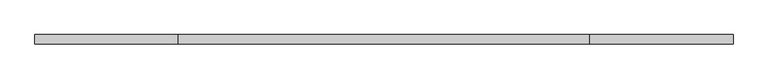
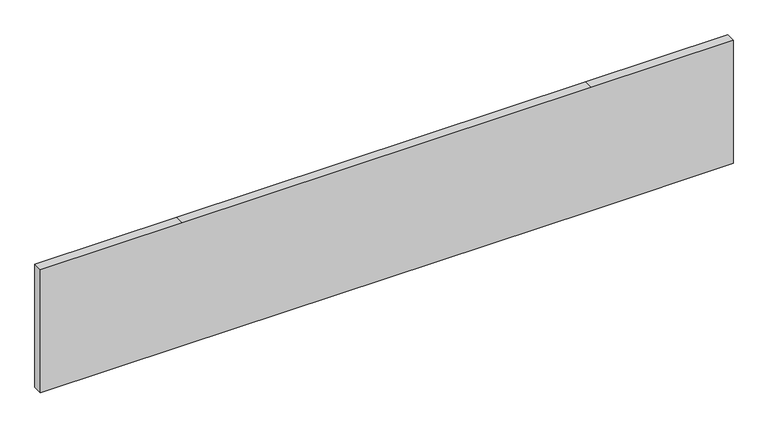
"""IFC4 building model written with IfcOpenShell, lengths in millimetres: plate geometry."""

import ifcopenshell
import ifcopenshell.guid

model = None  # the IFC model being written
_history = None  # IfcOwnerHistory: only IFC2X3 demands one
_inside = {}  # id of a spatial element -> (the spatial element, [elements in it])
_under = {}  # id of a project, library or spatial element -> (it, [spatial elements below it])
_declared = {}  # id of a project -> (the project, [libraries it declares])
_typed = {}  # id of a type object -> (the type object, [elements of that type])
_made_of = {}  # id of a material, layer set ... -> (it, [elements and type objects made of it])


def new_model(schema):
    """Start an empty IFC model of exactly this schema.

    Asked for "IFC4X3", IfcOpenShell would pick the latest addendum, in which some entities
    have other attributes; the version numbers below select the first issue.
    IFC2X3 requires an IfcOwnerHistory on every rooted entity: one is made here for all.
    """
    global model, _history
    if schema == "IFC4X3":
        model = ifcopenshell.file(schema_version=(4, 3, 0, 0))
    else:
        model = ifcopenshell.file(schema=schema)
    _inside.clear()
    _under.clear()
    _declared.clear()
    _typed.clear()
    _made_of.clear()
    _history = None
    if model.schema == "IFC2X3":
        org = make("IfcOrganization", Name="unknown")
        user = make(
            "IfcPersonAndOrganization",
            ThePerson=make("IfcPerson", FamilyName="unknown"),
            TheOrganization=org,
        )
        app = make(
            "IfcApplication",
            ApplicationDeveloper=org,
            Version="unknown",
            ApplicationFullName="unknown",
            ApplicationIdentifier="unknown",
        )
        _history = make(
            "IfcOwnerHistory",
            OwningUser=user,
            OwningApplication=app,
            ChangeAction="ADDED",
            CreationDate=0,
        )
    return model


def make(cls, **values):
    """One entity of the class cls with the attributes given. An attribute that is None is left unset."""
    return model.create_entity(
        cls, **{name: value for name, value in values.items() if value is not None}
    )


def rooted(cls, **values):
    """An entity with a GlobalId (a new one), such as an element, a storey or a relation."""
    return make(cls, GlobalId=ifcopenshell.guid.new(), OwnerHistory=_history, **values)


def si_unit(unit_type, name, prefix=None):
    """IfcSIUnit, for example si_unit("LENGTHUNIT", "METRE", prefix="MILLI")."""
    return make("IfcSIUnit", UnitType=unit_type, Prefix=prefix, Name=name)


def assignment(units):
    """IfcUnitAssignment: the units of a project."""
    return None if units is None else make("IfcUnitAssignment", Units=units)


def point(xyz):
    """IfcCartesianPoint."""
    return None if xyz is None else make("IfcCartesianPoint", Coordinates=xyz)


def direction(xyz):
    """IfcDirection."""
    return None if xyz is None else make("IfcDirection", DirectionRatios=xyz)


def frame(location, z_axis=None, x_axis=None):
    """IfcAxis2Placement3D, a coordinate frame: its origin and axes. An axis left out is left unset."""
    return make(
        "IfcAxis2Placement3D",
        Location=point(location),
        Axis=direction(z_axis),
        RefDirection=direction(x_axis),
    )


def origin():
    """The frame at (0, 0, 0) with its axes left unset."""
    return frame((0.0, 0.0, 0.0))


def place(relative_to, where):
    """IfcLocalPlacement: puts the frame where relative to a parent placement (None: the world)."""
    return make(
        "IfcLocalPlacement", PlacementRelTo=relative_to, RelativePlacement=where
    )


def context(
    kind, dimensions, precision=None, world=None, true_north=None, identifier=None
):
    """IfcGeometricRepresentationContext, for example the 3D "Model" context."""
    return make(
        "IfcGeometricRepresentationContext",
        ContextIdentifier=identifier,
        ContextType=kind,
        CoordinateSpaceDimension=dimensions,
        Precision=precision,
        WorldCoordinateSystem=world,
        TrueNorth=true_north,
    )


def project(units=None, contexts=None):
    """IfcProject with its units and contexts."""
    return rooted(
        "IfcProject",
        Name="project",
        RepresentationContexts=contexts,
        UnitsInContext=assignment(units),
    )


def spatial(cls, under=None, at=None, **own):
    """A site, building, storey or space (cls), placed at a placement, below another one or the project."""
    s = rooted(cls, ObjectPlacement=at, **own)
    if under is not None:
        _under.setdefault(under.id(), (under, []))[1].append(s)
    return s


def polyline(points):
    """IfcPolyline through the points."""
    return make("IfcPolyline", Points=[point(p) for p in points])


def outline(outer, holes=None, kind="AREA"):
    """IfcArbitraryClosedProfileDef: a profile drawn as a closed curve; with holes, ...WithVoids."""
    if holes is None:
        return make("IfcArbitraryClosedProfileDef", ProfileType=kind, OuterCurve=outer)
    return make(
        "IfcArbitraryProfileDefWithVoids",
        ProfileType=kind,
        OuterCurve=outer,
        InnerCurves=holes,
    )


def extrude(swept, where, along, depth):
    """IfcExtrudedAreaSolid: the profile swept, set in the frame where, extruded along a direction by depth."""
    return make(
        "IfcExtrudedAreaSolid",
        SweptArea=swept,
        Position=where,
        ExtrudedDirection=direction(along),
        Depth=depth,
    )


def shape(context_of_items, identifier, shape_type, items):
    """IfcShapeRepresentation: the items that make up one representation, for example the "Body"."""
    return make(
        "IfcShapeRepresentation",
        ContextOfItems=context_of_items,
        RepresentationIdentifier=identifier,
        RepresentationType=shape_type,
        Items=items,
    )


def source(mapping_origin, context_of_items, identifier, shape_type, items):
    """IfcRepresentationMap: a shape defined once, which mapped items show again and again."""
    return make(
        "IfcRepresentationMap",
        MappingOrigin=mapping_origin,
        MappedRepresentation=shape(context_of_items, identifier, shape_type, items),
    )


def transform(
    local_origin,
    x_axis=None,
    y_axis=None,
    z_axis=None,
    scale=None,
    scale2=None,
    scale3=None,
    uniform=True,
):
    """IfcCartesianTransformationOperator3D, or its non-uniform kind. x_axis, y_axis, z_axis: its Axis1, 2, 3."""
    if uniform:
        return make(
            "IfcCartesianTransformationOperator3D",
            Axis1=direction(x_axis),
            Axis2=direction(y_axis),
            LocalOrigin=point(local_origin),
            Scale=scale,
            Axis3=direction(z_axis),
        )
    return make(
        "IfcCartesianTransformationOperator3DnonUniform",
        Axis1=direction(x_axis),
        Axis2=direction(y_axis),
        LocalOrigin=point(local_origin),
        Scale=scale,
        Axis3=direction(z_axis),
        Scale2=scale2,
        Scale3=scale3,
    )


def mapped(mapping_source, mapping_target):
    """IfcMappedItem: shows the shape of a source again, moved by a transform."""
    return make(
        "IfcMappedItem", MappingSource=mapping_source, MappingTarget=mapping_target
    )


def made_of(thing, what):
    """Note that an element or type object is made of a material, layer set ...; save() writes the relation."""
    if what is not None:
        _made_of.setdefault(what.id(), (what, []))[1].append(thing)
    return thing


def element(
    cls,
    number,
    at=None,
    inside=None,
    cuts=None,
    type_object=None,
    material=None,
    context=None,
    identifier="Body",
    shape_type=None,
    held_by="IfcProductDefinitionShape",
    body=None,
    shapes=None,
    **own,
):
    """One element of the class cls, such as IfcWall. Its Tag is "e" and its number.

    at: its placement. inside: the storey or other place that contains it. cuts: it is an
    opening in that element (IfcRelVoidsElement). A single representation is given by context,
    identifier, shape_type and body (its items); several are given by shapes. held_by: the class
    of the entity that holds the representations. save() writes the other relations.
    """
    e = rooted(cls, Tag="e%d" % number, ObjectPlacement=at, **own)
    if body is not None:
        shapes = [shape(context, identifier, shape_type, body)]
    if shapes is not None:
        e.Representation = make(held_by, Representations=shapes)
    if inside is not None:
        _inside.setdefault(inside.id(), (inside, []))[1].append(e)
    if cuts is not None:
        rooted(
            "IfcRelVoidsElement", RelatingBuildingElement=cuts, RelatedOpeningElement=e
        )
    if type_object is not None:
        _typed.setdefault(type_object.id(), (type_object, []))[1].append(e)
    return made_of(e, material)


def aggregate(whole, parts):
    """IfcRelAggregates: a whole, such as a stair, and the parts it consists of."""
    return rooted("IfcRelAggregates", RelatingObject=whole, RelatedObjects=parts)


def save(model, path):
    """Write the relations noted so far, then the file.

    IfcRelAggregates (storeys below a building ...), IfcRelContainedInSpatialStructure (elements
    in a storey), IfcRelDefinesByType, IfcRelAssociatesMaterial and IfcRelDeclares: one each for
    every whole, place, type object, material and project.
    """
    for whole, parts in _under.values():
        aggregate(whole, parts)
    for where, things in _inside.values():
        rooted(
            "IfcRelContainedInSpatialStructure",
            RelatedElements=things,
            RelatingStructure=where,
        )
    for kind, things in _typed.values():
        rooted("IfcRelDefinesByType", RelatedObjects=things, RelatingType=kind)
    for what, things in _made_of.values():
        rooted("IfcRelAssociatesMaterial", RelatedObjects=things, RelatingMaterial=what)
    for by, libraries in _declared.values():
        rooted("IfcRelDeclares", RelatingContext=by, RelatedDefinitions=libraries)
    model.write(path)


def plate_9ab31b52(model_context):
    return source(origin(), model_context, "Body", "SweptSolid", [
        extrude(outline(polyline([(0.0, -731.6666667), (0.0, -431.6666667), (0.0, 431.6666667), (0.0, 731.6666667), (275.0, 731.6666667), (275.0, 431.6666667), (275.0, -431.6666667), (275.0, -731.6666667), (0.0, -731.6666667)])), frame((0.0, 20.0, 0.0), z_axis=(0.0, 1.0, 0.0), x_axis=(0.0, 0.0, 1.0)), (0.0, 0.0, 1.0), 20.0),
    ])


if __name__ == "__main__":
    model = new_model("IFC4")
    model_context = context("Model", 3, world=origin())
    ifc_project = project(units=[si_unit("LENGTHUNIT", "METRE", prefix="MILLI")], contexts=[model_context])
    site = spatial("IfcSite", under=ifc_project)
    building = spatial("IfcBuilding", under=site)
    placement = place(None, origin())
    plate_shape = plate_9ab31b52(model_context)
    element("IfcPlate", 1, at=placement, inside=building, context=model_context, shape_type="MappedRepresentation", body=[
        mapped(plate_shape, transform((0.0, 0.0, 0.0), x_axis=(1.0, 0.0, 0.0), y_axis=(0.0, 1.0, 0.0), z_axis=(0.0, 0.0, 1.0))),
    ])
    save(model, "model.ifc")
